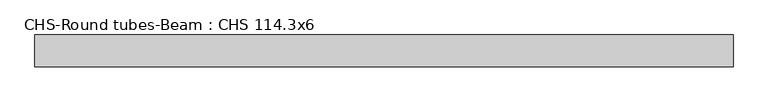
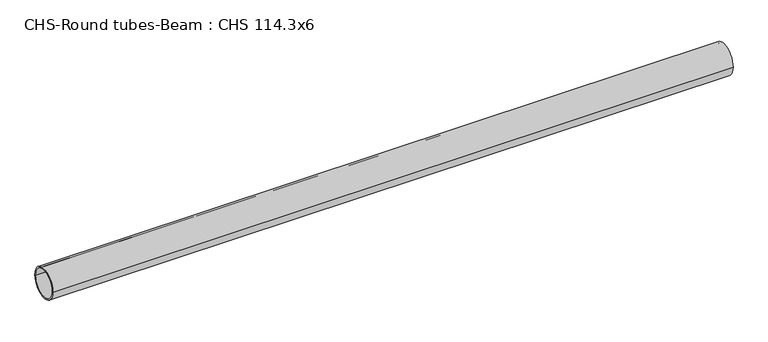
"""IFC4 building model written with IfcOpenShell, lengths in millimetres: beam geometry, CHS-Round tubes-Beam : CHS 114.3x6."""

import ifcopenshell
import ifcopenshell.guid

model = None  # the IFC model being written
_history = None  # IfcOwnerHistory: only IFC2X3 demands one
_inside = {}  # id of a spatial element -> (the spatial element, [elements in it])
_under = {}  # id of a project, library or spatial element -> (it, [spatial elements below it])
_declared = {}  # id of a project -> (the project, [libraries it declares])
_typed = {}  # id of a type object -> (the type object, [elements of that type])
_made_of = {}  # id of a material, layer set ... -> (it, [elements and type objects made of it])


def new_model(schema):
    """Start an empty IFC model of exactly this schema.

    Asked for "IFC4X3", IfcOpenShell would pick the latest addendum, in which some entities
    have other attributes; the version numbers below select the first issue.
    IFC2X3 requires an IfcOwnerHistory on every rooted entity: one is made here for all.
    """
    global model, _history
    if schema == "IFC4X3":
        model = ifcopenshell.file(schema_version=(4, 3, 0, 0))
    else:
        model = ifcopenshell.file(schema=schema)
    _inside.clear()
    _under.clear()
    _declared.clear()
    _typed.clear()
    _made_of.clear()
    _history = None
    if model.schema == "IFC2X3":
        org = make("IfcOrganization", Name="unknown")
        user = make(
            "IfcPersonAndOrganization",
            ThePerson=make("IfcPerson", FamilyName="unknown"),
            TheOrganization=org,
        )
        app = make(
            "IfcApplication",
            ApplicationDeveloper=org,
            Version="unknown",
            ApplicationFullName="unknown",
            ApplicationIdentifier="unknown",
        )
        _history = make(
            "IfcOwnerHistory",
            OwningUser=user,
            OwningApplication=app,
            ChangeAction="ADDED",
            CreationDate=0,
        )
    return model


def make(cls, **values):
    """One entity of the class cls with the attributes given. An attribute that is None is left unset."""
    return model.create_entity(
        cls, **{name: value for name, value in values.items() if value is not None}
    )


def rooted(cls, **values):
    """An entity with a GlobalId (a new one), such as an element, a storey or a relation."""
    return make(cls, GlobalId=ifcopenshell.guid.new(), OwnerHistory=_history, **values)


def si_unit(unit_type, name, prefix=None):
    """IfcSIUnit, for example si_unit("LENGTHUNIT", "METRE", prefix="MILLI")."""
    return make("IfcSIUnit", UnitType=unit_type, Prefix=prefix, Name=name)


def assignment(units):
    """IfcUnitAssignment: the units of a project."""
    return None if units is None else make("IfcUnitAssignment", Units=units)


def point(xyz):
    """IfcCartesianPoint."""
    return None if xyz is None else make("IfcCartesianPoint", Coordinates=xyz)


def direction(xyz):
    """IfcDirection."""
    return None if xyz is None else make("IfcDirection", DirectionRatios=xyz)


def frame(location, z_axis=None, x_axis=None):
    """IfcAxis2Placement3D, a coordinate frame: its origin and axes. An axis left out is left unset."""
    return make(
        "IfcAxis2Placement3D",
        Location=point(location),
        Axis=direction(z_axis),
        RefDirection=direction(x_axis),
    )


def frame_2d(location, x_axis=None):
    """IfcAxis2Placement2D, a coordinate frame in the plane: its origin and x axis."""
    return make(
        "IfcAxis2Placement2D", Location=point(location), RefDirection=direction(x_axis)
    )


def origin():
    """The frame at (0, 0, 0) with its axes left unset."""
    return frame((0.0, 0.0, 0.0))


def origin_2d():
    """The frame at (0, 0) in the plane with its x axis left unset."""
    return frame_2d((0.0, 0.0))


def place(relative_to, where):
    """IfcLocalPlacement: puts the frame where relative to a parent placement (None: the world)."""
    return make(
        "IfcLocalPlacement", PlacementRelTo=relative_to, RelativePlacement=where
    )


def context(
    kind, dimensions, precision=None, world=None, true_north=None, identifier=None
):
    """IfcGeometricRepresentationContext, for example the 3D "Model" context."""
    return make(
        "IfcGeometricRepresentationContext",
        ContextIdentifier=identifier,
        ContextType=kind,
        CoordinateSpaceDimension=dimensions,
        Precision=precision,
        WorldCoordinateSystem=world,
        TrueNorth=true_north,
    )


def project(units=None, contexts=None):
    """IfcProject with its units and contexts."""
    return rooted(
        "IfcProject",
        Name="project",
        RepresentationContexts=contexts,
        UnitsInContext=assignment(units),
    )


def spatial(cls, under=None, at=None, **own):
    """A site, building, storey or space (cls), placed at a placement, below another one or the project."""
    s = rooted(cls, ObjectPlacement=at, **own)
    if under is not None:
        _under.setdefault(under.id(), (under, []))[1].append(s)
    return s


def circle_curve(where, radius):
    """IfcCircle in the frame where."""
    return make("IfcCircle", Position=where, Radius=radius)


def trimmed(basis, trim1, trim2, sense, master):
    """IfcTrimmedCurve: the piece of a basis curve between two trims."""
    return make(
        "IfcTrimmedCurve",
        BasisCurve=basis,
        Trim1=trim1,
        Trim2=trim2,
        SenseAgreement=sense,
        MasterRepresentation=master,
    )


def segment(curve, same_sense, transition):
    """IfcCompositeCurveSegment."""
    return make(
        "IfcCompositeCurveSegment",
        Transition=transition,
        SameSense=same_sense,
        ParentCurve=curve,
    )


def composite_curve(segments, self_intersect=None):
    """IfcCompositeCurve: segments joined end to end."""
    return make("IfcCompositeCurve", Segments=segments, SelfIntersect=self_intersect)


def outline(outer, holes=None, kind="AREA"):
    """IfcArbitraryClosedProfileDef: a profile drawn as a closed curve; with holes, ...WithVoids."""
    if holes is None:
        return make("IfcArbitraryClosedProfileDef", ProfileType=kind, OuterCurve=outer)
    return make(
        "IfcArbitraryProfileDefWithVoids",
        ProfileType=kind,
        OuterCurve=outer,
        InnerCurves=holes,
    )


def extrude(swept, where, along, depth):
    """IfcExtrudedAreaSolid: the profile swept, set in the frame where, extruded along a direction by depth."""
    return make(
        "IfcExtrudedAreaSolid",
        SweptArea=swept,
        Position=where,
        ExtrudedDirection=direction(along),
        Depth=depth,
    )


def shape(context_of_items, identifier, shape_type, items):
    """IfcShapeRepresentation: the items that make up one representation, for example the "Body"."""
    return make(
        "IfcShapeRepresentation",
        ContextOfItems=context_of_items,
        RepresentationIdentifier=identifier,
        RepresentationType=shape_type,
        Items=items,
    )


def source(mapping_origin, context_of_items, identifier, shape_type, items):
    """IfcRepresentationMap: a shape defined once, which mapped items show again and again."""
    return make(
        "IfcRepresentationMap",
        MappingOrigin=mapping_origin,
        MappedRepresentation=shape(context_of_items, identifier, shape_type, items),
    )


def transform(
    local_origin,
    x_axis=None,
    y_axis=None,
    z_axis=None,
    scale=None,
    scale2=None,
    scale3=None,
    uniform=True,
):
    """IfcCartesianTransformationOperator3D, or its non-uniform kind. x_axis, y_axis, z_axis: its Axis1, 2, 3."""
    if uniform:
        return make(
            "IfcCartesianTransformationOperator3D",
            Axis1=direction(x_axis),
            Axis2=direction(y_axis),
            LocalOrigin=point(local_origin),
            Scale=scale,
            Axis3=direction(z_axis),
        )
    return make(
        "IfcCartesianTransformationOperator3DnonUniform",
        Axis1=direction(x_axis),
        Axis2=direction(y_axis),
        LocalOrigin=point(local_origin),
        Scale=scale,
        Axis3=direction(z_axis),
        Scale2=scale2,
        Scale3=scale3,
    )


def mapped(mapping_source, mapping_target):
    """IfcMappedItem: shows the shape of a source again, moved by a transform."""
    return make(
        "IfcMappedItem", MappingSource=mapping_source, MappingTarget=mapping_target
    )


def made_of(thing, what):
    """Note that an element or type object is made of a material, layer set ...; save() writes the relation."""
    if what is not None:
        _made_of.setdefault(what.id(), (what, []))[1].append(thing)
    return thing


def element(
    cls,
    number,
    at=None,
    inside=None,
    cuts=None,
    type_object=None,
    material=None,
    context=None,
    identifier="Body",
    shape_type=None,
    held_by="IfcProductDefinitionShape",
    body=None,
    shapes=None,
    **own,
):
    """One element of the class cls, such as IfcWall. Its Tag is "e" and its number.

    at: its placement. inside: the storey or other place that contains it. cuts: it is an
    opening in that element (IfcRelVoidsElement). A single representation is given by context,
    identifier, shape_type and body (its items); several are given by shapes. held_by: the class
    of the entity that holds the representations. save() writes the other relations.
    """
    e = rooted(cls, Tag="e%d" % number, ObjectPlacement=at, **own)
    if body is not None:
        shapes = [shape(context, identifier, shape_type, body)]
    if shapes is not None:
        e.Representation = make(held_by, Representations=shapes)
    if inside is not None:
        _inside.setdefault(inside.id(), (inside, []))[1].append(e)
    if cuts is not None:
        rooted(
            "IfcRelVoidsElement", RelatingBuildingElement=cuts, RelatedOpeningElement=e
        )
    if type_object is not None:
        _typed.setdefault(type_object.id(), (type_object, []))[1].append(e)
    return made_of(e, material)


def aggregate(whole, parts):
    """IfcRelAggregates: a whole, such as a stair, and the parts it consists of."""
    return rooted("IfcRelAggregates", RelatingObject=whole, RelatedObjects=parts)


def save(model, path):
    """Write the relations noted so far, then the file.

    IfcRelAggregates (storeys below a building ...), IfcRelContainedInSpatialStructure (elements
    in a storey), IfcRelDefinesByType, IfcRelAssociatesMaterial and IfcRelDeclares: one each for
    every whole, place, type object, material and project.
    """
    for whole, parts in _under.values():
        aggregate(whole, parts)
    for where, things in _inside.values():
        rooted(
            "IfcRelContainedInSpatialStructure",
            RelatedElements=things,
            RelatingStructure=where,
        )
    for kind, things in _typed.values():
        rooted("IfcRelDefinesByType", RelatedObjects=things, RelatingType=kind)
    for what, things in _made_of.values():
        rooted("IfcRelAssociatesMaterial", RelatedObjects=things, RelatingMaterial=what)
    for by, libraries in _declared.values():
        rooted("IfcRelDeclares", RelatingContext=by, RelatedDefinitions=libraries)
    model.write(path)


def chs_round_tubes_beam_chs_114_3x6_b59787f2(model_context):
    return source(origin(), model_context, "Body", "SweptSolid", [
        extrude(outline(composite_curve([segment(trimmed(circle_curve(origin_2d(), 57.15), [point((57.15, 0.0))], [point((-57.15, 0.0))], False, "CARTESIAN"), True, "CONTINUOUS"), segment(trimmed(circle_curve(origin_2d(), 57.15), [point((-57.15, 0.0))], [point((57.15, 0.0))], False, "CARTESIAN"), True, "CONTINUOUS")], self_intersect=False), holes=[composite_curve([segment(trimmed(circle_curve(origin_2d(), 51.15), [point((51.15, 0.0))], [point((-51.15, 0.0))], True, "CARTESIAN"), True, "CONTINUOUS"), segment(trimmed(circle_curve(origin_2d(), 51.15), [point((-51.15, 0.0))], [point((51.15, 0.0))], True, "CARTESIAN"), True, "CONTINUOUS")], self_intersect=False)]), frame((-1222.0400858, 0.0, 0.0), z_axis=(1.0, 0.0, 0.0), x_axis=(0.0, 1.0, 0.0)), (0.0, 0.0, 1.0), 2509.514257),
    ])


if __name__ == "__main__":
    model = new_model("IFC4")
    model_context = context("Model", 3, world=origin())
    ifc_project = project(units=[si_unit("LENGTHUNIT", "METRE", prefix="MILLI")], contexts=[model_context])
    site = spatial("IfcSite", under=ifc_project)
    building = spatial("IfcBuilding", under=site)
    placement = place(None, origin())
    chs_round_tubes_beam_chs_114_3x6_shape = chs_round_tubes_beam_chs_114_3x6_b59787f2(model_context)
    element("IfcBeam", 1, ObjectType="CHS-Round tubes-Beam : CHS 114.3x6", at=placement, inside=building, context=model_context, shape_type="MappedRepresentation", body=[
        mapped(chs_round_tubes_beam_chs_114_3x6_shape, transform((0.0, 0.0, 0.0), x_axis=(1.0, 0.0, 0.0), y_axis=(0.0, 1.0, 0.0), z_axis=(0.0, 0.0, 1.0))),
    ])
    save(model, "model.ifc")
